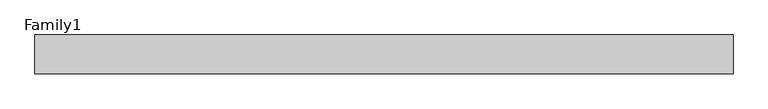
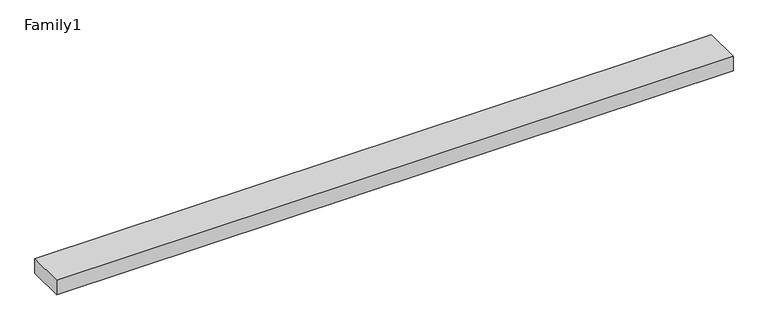
"""IFC4 building model written with IfcOpenShell, lengths in millimetres: proxy geometry, Family1."""

from ifc_helpers import new_model, si_unit, origin, origin_with_axes, place, context, project, spatial, polyline, outline, extrude, source, transform, mapped, element, save


def family1_7390382b(model_context):
    return source(origin(), model_context, "Body", "SweptSolid", [
        extrude(outline(polyline([(90000.0, 0.0), (0.0, 0.0), (0.0, 5000.0), (90000.0, 5000.0), (90000.0, 0.0)])), origin_with_axes(), (0.0, 0.0, 1.0), 2000.0),
    ])


if __name__ == "__main__":
    model = new_model("IFC4")
    model_context = context("Model", 3, world=origin())
    ifc_project = project(units=[si_unit("LENGTHUNIT", "METRE", prefix="MILLI")], contexts=[model_context])
    site = spatial("IfcSite", under=ifc_project)
    building = spatial("IfcBuilding", under=site)
    placement = place(None, origin())
    family1_shape = family1_7390382b(model_context)
    element("IfcBuildingElementProxy", 1, Name="Family1", ObjectType="Family1", at=placement, inside=building, context=model_context, shape_type="MappedRepresentation", body=[
        mapped(family1_shape, transform((0.0, 0.0, 0.0), x_axis=(1.0, 0.0, 0.0), y_axis=(0.0, 1.0, 0.0), z_axis=(0.0, 0.0, 1.0))),
    ])
    save(model, "model.ifc")
